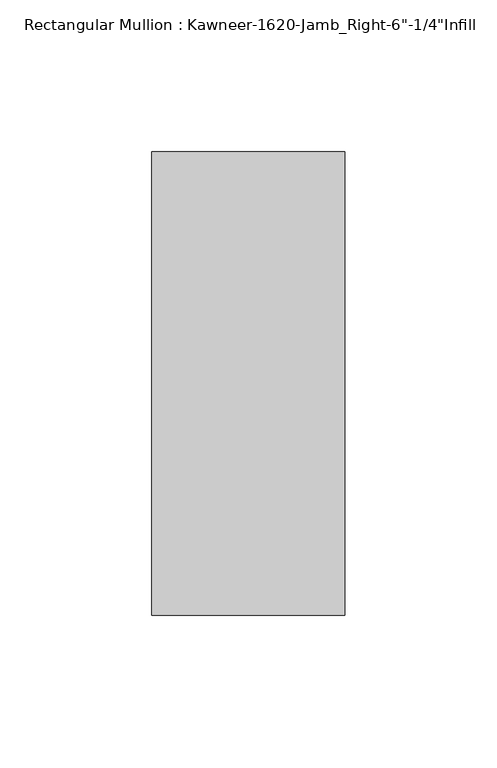
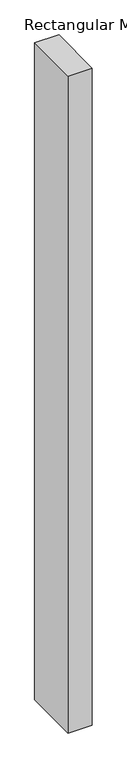
"""IFC4 building model written with IfcOpenShell, lengths in millimetres: member geometry."""

from ifc_helpers import new_model, si_unit, frame, origin, place, context, project, spatial, polyline, outline, extrude, source, transform, mapped, element, save


def member_9b727b35(model_context):
    return source(origin(), model_context, "Body", "SweptSolid", [
        extrude(outline(polyline([(-63.5, 28.575), (0.0, 28.575), (0.0, -123.825), (-63.5, -123.825), (-63.5, 28.575)])), frame((0.0, 0.0, -1828.8), z_axis=(0.0, 0.0, 1.0), x_axis=(1.0, 0.0, 0.0)), (0.0, 0.0, 1.0), 1828.8),
    ])


if __name__ == "__main__":
    model = new_model("IFC4")
    model_context = context("Model", 3, world=origin())
    ifc_project = project(units=[si_unit("LENGTHUNIT", "METRE", prefix="MILLI")], contexts=[model_context])
    site = spatial("IfcSite", under=ifc_project)
    building = spatial("IfcBuilding", under=site)
    placement = place(None, origin())
    member_shape = member_9b727b35(model_context)
    element("IfcMember", 1, ObjectType="Rectangular Mullion : Kawneer-1620-Jamb_Right-6\"-1/4\"Infill", at=placement, inside=building, context=model_context, shape_type="MappedRepresentation", body=[
        mapped(member_shape, transform((0.0, 0.0, 0.0), x_axis=(1.0, 0.0, 0.0), y_axis=(0.0, 1.0, 0.0), z_axis=(0.0, 0.0, 1.0))),
    ])
    save(model, "model.ifc")
